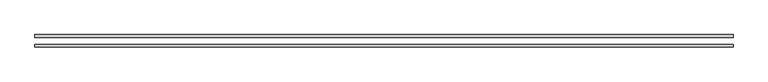
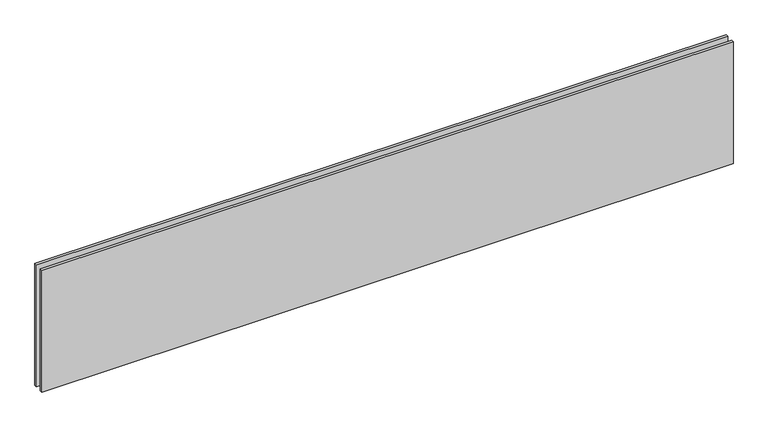
"""IFC4 building model written with IfcOpenShell, lengths in millimetres: plate geometry."""

from ifc_helpers import new_model, si_unit, origin, origin_with_axes, place, context, project, spatial, polyline, outline, extrude, source, transform, mapped, element, save


def plate_e3cd8028(model_context):
    return source(origin(), model_context, "Body", "SweptSolid", [
        extrude(outline(polyline([(-800.186381, 14.0), (800.186381, 14.0), (800.186381, 8.0), (-800.186381, 8.0), (-800.186381, 14.0)])), origin_with_axes(), (0.0, 0.0, 1.0), 298.0924145),
        extrude(outline(polyline([(-800.186381, -8.0), (800.186381, -8.0), (800.186381, -14.0), (-800.186381, -14.0), (-800.186381, -8.0)])), origin_with_axes(), (0.0, 0.0, 1.0), 298.0924145),
    ])


if __name__ == "__main__":
    model = new_model("IFC4")
    model_context = context("Model", 3, world=origin())
    ifc_project = project(units=[si_unit("LENGTHUNIT", "METRE", prefix="MILLI")], contexts=[model_context])
    site = spatial("IfcSite", under=ifc_project)
    building = spatial("IfcBuilding", under=site)
    placement = place(None, origin())
    plate_shape = plate_e3cd8028(model_context)
    element("IfcPlate", 1, at=placement, inside=building, context=model_context, shape_type="MappedRepresentation", body=[
        mapped(plate_shape, transform((0.0, 0.0, 0.0), x_axis=(1.0, 0.0, 0.0), y_axis=(0.0, 1.0, 0.0), z_axis=(0.0, 0.0, 1.0))),
    ])
    save(model, "model.ifc")
